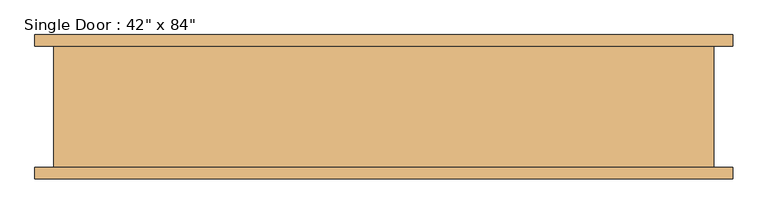
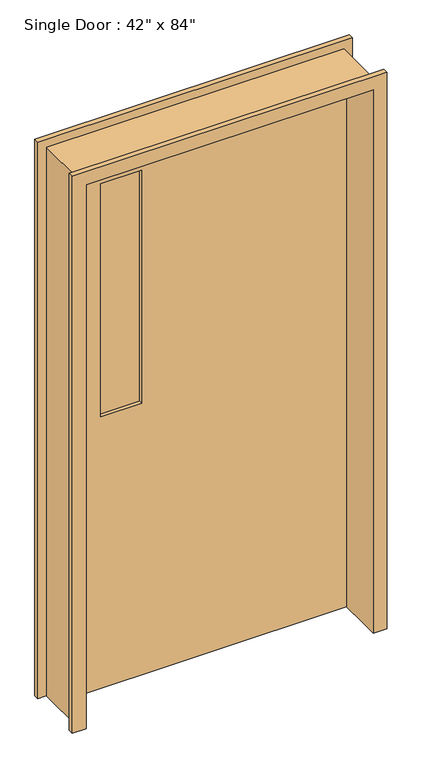
"""IFC4 building model written with IfcOpenShell, lengths in millimetres: door geometry."""

from ifc_helpers import new_model, si_unit, frame, origin, place, context, project, spatial, polyline, outline, extrude, faceted_brep, source, transform, mapped, element, save


def door_365d83d3(model_context):
    return source(origin(), model_context, "Body", "SolidModel", [
        faceted_brep([(-584.2, -101.6, 0.0), (-552.45, -101.6, 0.0), (-552.45, 101.6, 0.0), (-584.2, 101.6, 0.0), (-584.2, 120.65, 0.0), (-533.4, 120.65, 0.0), (-533.4, -120.65, 0.0), (-584.2, -120.65, 0.0), (-584.2, -101.6, 2184.4), (584.2, -101.6, 2184.4), (584.2, -101.6, 0.0), (552.45, -101.6, 0.0), (552.45, -101.6, 2152.65), (-552.45, -101.6, 2152.65), (-552.45, 101.6, 2152.65), (552.45, 101.6, 2152.65), (552.45, 101.6, 0.0), (584.2, 101.6, 0.0), (584.2, 101.6, 2184.4), (-584.2, 101.6, 2184.4), (-584.2, 120.65, 2184.4), (584.2, 120.65, 2184.4), (584.2, 120.65, 0.0), (533.4, 120.65, 0.0), (533.4, 120.65, 2133.6), (-533.4, 120.65, 2133.6), (-533.4, -120.65, 2133.6), (533.4, -120.65, 2133.6), (533.4, -120.65, 0.0), (584.2, -120.65, 0.0), (584.2, -120.65, 2184.4), (-584.2, -120.65, 2184.4)], [[[0, 1, 2, 3, 4, 5, 6, 7]], [[1, 0, 8, 9, 10, 11, 12, 13]], [[2, 1, 13, 14]], [[3, 2, 14, 15, 16, 17, 18, 19]], [[4, 3, 19, 20]], [[5, 4, 20, 21, 22, 23, 24, 25]], [[6, 5, 25, 26]], [[7, 6, 26, 27, 28, 29, 30, 31]], [[0, 7, 31, 8]], [[13, 12, 15, 14]], [[19, 18, 21, 20]], [[25, 24, 27, 26]], [[9, 8, 31, 30]], [[11, 10, 29, 28, 23, 22, 17, 16]], [[12, 11, 16, 15]], [[18, 17, 22, 21]], [[24, 23, 28, 27]], [[10, 9, 30, 29]]]),
        extrude(outline(polyline([(-228.6, 63.5), (-381.0, 63.5), (-381.0, 76.2), (-228.6, 76.2), (-228.6, 63.5)])), frame((0.0, 0.0, 1066.8), z_axis=(0.0, 0.0, 1.0), x_axis=(1.0, 0.0, 0.0)), (0.0, 0.0, 1.0), 914.4),
        extrude(outline(polyline([(2133.6, 533.4), (2133.6, -533.4), (0.0, -533.4), (0.0, 533.4), (2133.6, 533.4)]), holes=[polyline([(1981.2, -228.6), (1066.8, -228.6), (1066.8, -381.0), (1981.2, -381.0), (1981.2, -228.6)])]), frame((0.0, 50.8, 0.0), z_axis=(0.0, 1.0, 0.0), x_axis=(0.0, 0.0, 1.0)), (0.0, 0.0, 1.0), 50.8),
    ])


if __name__ == "__main__":
    model = new_model("IFC4")
    model_context = context("Model", 3, world=origin())
    ifc_project = project(units=[si_unit("LENGTHUNIT", "METRE", prefix="MILLI")], contexts=[model_context])
    site = spatial("IfcSite", under=ifc_project)
    building = spatial("IfcBuilding", under=site)
    placement = place(None, origin())
    door_shape = door_365d83d3(model_context)
    element("IfcDoor", 1, ObjectType="Single Door : 42\" x 84\"", at=placement, inside=building, context=model_context, shape_type="MappedRepresentation", body=[
        mapped(door_shape, transform((0.0, 0.0, 0.0), x_axis=(1.0, 0.0, 0.0), y_axis=(0.0, 1.0, 0.0), z_axis=(0.0, 0.0, 1.0))),
    ])
    save(model, "model.ifc")
